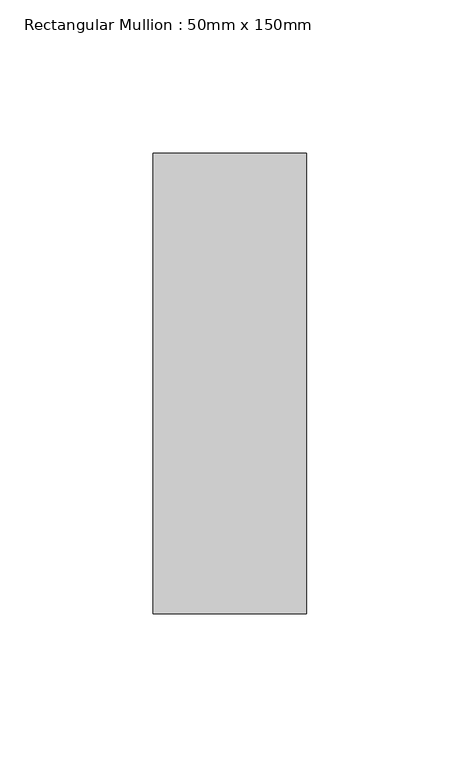
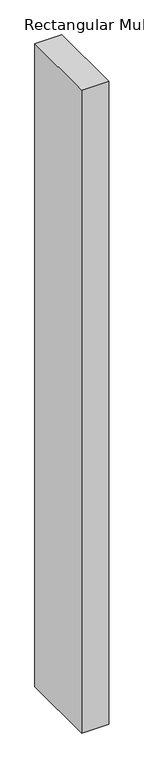
"""IFC4 building model written with IfcOpenShell, lengths in millimetres: member geometry, Rectangular Mullion : 50mm x 150mm."""

from ifc_helpers import new_model, si_unit, frame, origin, place, context, project, spatial, polyline, outline, extrude, source, transform, mapped, element, save


def rectangular_mullion_50mm_x_150mm_3d585dfb(model_context):
    return source(origin(), model_context, "Body", "SweptSolid", [
        extrude(outline(polyline([(0.0, 75.0), (0.0, -75.0), (-50.0, -75.0), (-50.0, 75.0), (0.0, 75.0)])), frame((0.0, 0.0, -1259.8760269), z_axis=(0.0, 0.0, 1.0), x_axis=(1.0, 0.0, 0.0)), (0.0, 0.0, 1.0), 1259.8760269),
    ])


if __name__ == "__main__":
    model = new_model("IFC4")
    model_context = context("Model", 3, world=origin())
    ifc_project = project(units=[si_unit("LENGTHUNIT", "METRE", prefix="MILLI")], contexts=[model_context])
    site = spatial("IfcSite", under=ifc_project)
    building = spatial("IfcBuilding", under=site)
    placement = place(None, origin())
    rectangular_mullion_50mm_x_150mm_shape = rectangular_mullion_50mm_x_150mm_3d585dfb(model_context)
    element("IfcMember", 1, ObjectType="Rectangular Mullion : 50mm x 150mm", at=placement, inside=building, context=model_context, shape_type="MappedRepresentation", body=[
        mapped(rectangular_mullion_50mm_x_150mm_shape, transform((0.0, 0.0, 0.0), x_axis=(1.0, 0.0, 0.0), y_axis=(0.0, 1.0, 0.0), z_axis=(0.0, 0.0, 1.0))),
    ])
    save(model, "model.ifc")
